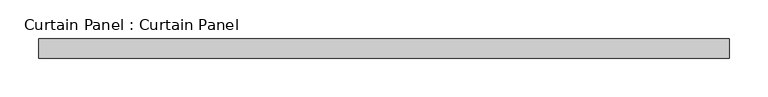
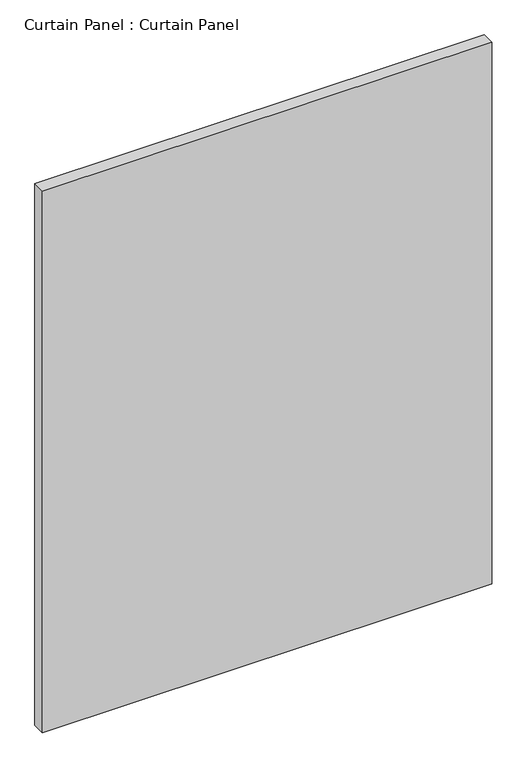
"""IFC4 building model written with IfcOpenShell, lengths in millimetres: plate geometry, Curtain Panel : Curtain Panel."""

from ifc_helpers import new_model, si_unit, frame, origin, place, context, project, spatial, polyline, outline, extrude, source, transform, mapped, element, save


def curtain_panel_curtain_panel_6d195ac3(model_context):
    return source(origin(), model_context, "Body", "SweptSolid", [
        extrude(outline(polyline([(-32384.524634, 579.5565472), (-33279.8876734, 579.5565472), (-33279.8876734, 604.9565472), (-32384.524634, 604.9565472), (-32384.524634, 579.5565472)])), frame((0.0, 0.0, 1767.8280373), z_axis=(0.0, 0.0, 1.0), x_axis=(1.0, 0.0, 0.0)), (0.0, 0.0, 1.0), 1141.8456924),
    ])


if __name__ == "__main__":
    model = new_model("IFC4")
    model_context = context("Model", 3, world=origin())
    ifc_project = project(units=[si_unit("LENGTHUNIT", "METRE", prefix="MILLI")], contexts=[model_context])
    site = spatial("IfcSite", under=ifc_project)
    building = spatial("IfcBuilding", under=site)
    placement = place(None, origin())
    curtain_panel_curtain_panel_shape = curtain_panel_curtain_panel_6d195ac3(model_context)
    element("IfcPlate", 1, ObjectType="Curtain Panel : Curtain Panel", at=placement, inside=building, context=model_context, shape_type="MappedRepresentation", body=[
        mapped(curtain_panel_curtain_panel_shape, transform((0.0, 0.0, 0.0), x_axis=(1.0, 0.0, 0.0), y_axis=(0.0, 1.0, 0.0), z_axis=(0.0, 0.0, 1.0))),
    ])
    save(model, "model.ifc")
